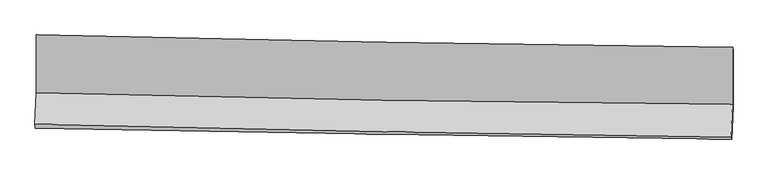
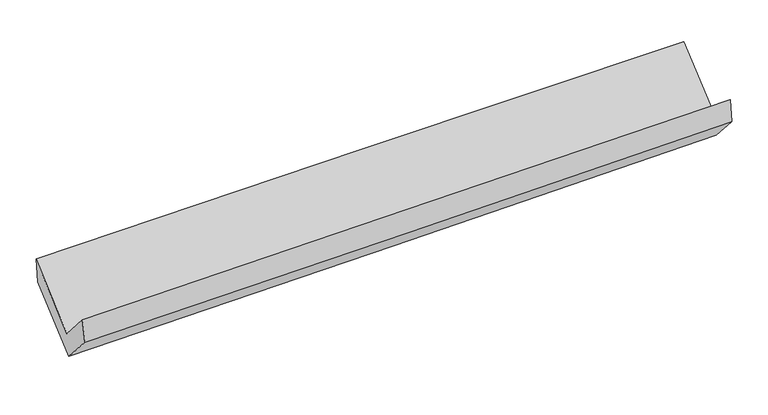
"""IFC4 building model written with IfcOpenShell, lengths in millimetres: proxy geometry."""

from ifc_helpers import new_model, si_unit, frame, origin, place, context, project, spatial, source, transform, mapped, element, save
from ifc_brep_helpers import plane_surface, spline_curve, spline_surface, advanced_brep


def generic_models_05dc1ccb(model_context):
    return source(origin(), model_context, "Body", "AdvancedBrep", [
        advanced_brep(
        [(-3015.8302325, -1159.1157522, 2185.7400703), (-3013.9455168, -1658.0489127, 1745.945092), (3004.1606409, -1759.0532546, 1882.242896), (3004.5134538, -1264.9280863, 2305.1378583), (-3026.2428767, -1931.1055513, 2055.6663061), (2991.2698728, -2045.2862206, 2206.9096838), (-3021.8901145, -1964.9613763, 1851.357719), (2995.7451312, -2058.7364815, 1994.0213076), (-3009.3275244, -1683.5003035, 1536.7810963), (3008.0192455, -1783.9376303, 1686.8907771), (-3011.0639389, -1181.8987266, 1972.3878744), (3008.2317936, -1289.9753301, 2115.9392284)],
        [
            (0, 1),
            (1, 2, spline_curve(3, [(-3013.9455168, -1658.0489127, 1745.945092), (-2011.442828974, -1686.356215808, 1781.299814976), (-1008.695329553, -1708.926828144, 1810.335199576), (997.340031621, -1742.595522235, 1855.768440163), (2000.627918088, -1753.693024206, 1872.165657197), (3004.1606409, -1759.0532546, 1882.242896)], [4, 2, 4], [0.0, 9.877781638759169, 19.756062965806258])),
            (2, 3),
            (3, 0, spline_curve(3, [(3004.5134538, -1264.9280863, 2305.1378583), (2000.688051013, -1255.31402562, 2296.543987661), (997.0673582, -1241.6889766, 2282.296842024), (-1009.713849667, -1206.417792511, 2242.49700723), (-2012.874385637, -1184.772063845, 2216.944890265), (-3015.8302325, -1159.1157522, 2185.7400703)], [4, 2, 4], [0.0, 9.87828132704709, 19.756062965806258])),
            (1, 4),
            (4, 5, spline_curve(3, [(-3026.2428767, -1931.1055513, 2055.6663061), (-2023.542167364, -1955.01588296, 2086.033656104), (-1020.745102457, -1976.485925769, 2113.82069256), (985.092470722, -2014.546395691, 2164.235412775), (1988.132989332, -2031.136576147, 2186.86283572), (2991.2698728, -2045.2862206, 2206.9096838)], [4, 2, 4], [0.0, 9.876057402589684, 19.752614406243186])),
            (5, 2),
            (4, 6),
            (6, 7, spline_curve(3, [(-3021.8901145, -1964.9613763, 1851.357719), (-2018.966824892, -1983.561908188, 1873.162729543), (-1016.04825989, -2000.676606132, 1895.953541372), (989.830155989, -2031.935125087, 1943.507971217), (1992.790006065, -2046.078795535, 1968.271688813), (2995.7451312, -2058.7364815, 1994.0213076)], [4, 2, 4], [0.0, 9.875540715098941, 19.75158100512398])),
            (7, 5),
            (6, 8),
            (8, 9, spline_curve(3, [(-3009.3275244, -1683.5003035, 1536.7810963), (-2006.650685765, -1707.652585375, 1564.791059037), (-1003.879387901, -1728.098385886, 1591.304902128), (1001.902859368, -1761.577869508, 1641.341613646), (2004.913817763, -1774.611178172, 1664.864331115), (3008.0192455, -1783.9376303, 1686.8907771)], [4, 2, 4], [0.0, 9.875207114502633, 19.750913787055477])),
            (9, 7),
            (8, 10),
            (10, 11, spline_curve(3, [(-3011.0639389, -1181.8987266, 1972.3878744), (-2008.091702705, -1199.773117854, 2005.862276346), (-1005.010296991, -1217.716467308, 2034.561908562), (1001.421603089, -1253.741994882, 2082.412843127), (2004.772107804, -1271.824179559, 2101.563662194), (3008.2317936, -1289.9753301, 2115.9392284)], [4, 2, 4], [0.0, 9.876819072385931, 19.754137784366343])),
            (11, 9),
            (10, 0),
            (3, 11),
        ],
        [
            spline_surface(3, 3, [[(-3015.8302325, -1159.1157522, 2185.7400703), (-2012.874385761, -1184.772063866, 2216.944890315), (-1009.713849767, -1206.417792643, 2242.497007337), (997.0673583, -1241.688976468, 2282.296841916), (2000.688051052, -1255.314025696, 2296.54398758), (3004.5134538, -1264.9280863, 2305.1378583)], [(-3015.201993934, -1325.426805703, 2039.141744186), (-2012.397200199, -1351.966781173, 2071.72986522), (-1009.374343046, -1373.920804443, 2098.443071388), (997.158249383, -1408.657825122, 2140.120708005), (2000.668006689, -1421.440358496, 2155.084544079), (3004.395849509, -1429.636475721, 2164.172870854)], [(-3014.573755366, -1491.737859197, 1892.543418114), (-2011.920014636, -1519.161498472, 1926.514840166), (-1009.034836263, -1541.423816196, 1954.389135472), (997.249140527, -1575.626673728, 1997.944574128), (2000.6479623, -1587.566691333, 2013.625100618), (3004.278245191, -1594.344865179, 2023.207883446)], [(-3013.9455168, -1658.0489127, 1745.945092), (-2011.442829075, -1686.356215779, 1781.299815071), (-1008.695329541, -1708.926827997, 1810.335199522), (997.340031609, -1742.595522382, 1855.768440216), (2000.627917936, -1753.693024133, 1872.165657117), (3004.1606409, -1759.0532546, 1882.242896)]], [4, 4], [4, 2, 4], [0.0, 2.1664679888583187], [0.0, 9.877781638759169, 19.756062965806258]),
            spline_surface(3, 3, [[(-3013.9455168, -1658.0489127, 1745.945092), (-2011.442829075, -1686.356215779, 1781.299815071), (-1008.695329541, -1708.926827997, 1810.335199522), (997.340031609, -1742.595522382, 1855.768440216), (2000.627917936, -1753.693024133, 1872.165657117), (3004.1606409, -1759.0532546, 1882.242896)], [(-3018.044636773, -1749.06779224, 1849.185496723), (-2015.475941815, -1775.909438192, 1882.877762117), (-1012.711920556, -1798.113193888, 1911.497030529), (993.25751136, -1833.245813472, 1958.590764415), (1996.462941721, -1846.174208114, 1977.06471665), (2999.863718204, -1854.464243253, 1990.465158604)], [(-3022.143756727, -1840.08667176, 1952.425901377), (-2019.509054535, -1865.462660583, 1984.455709093), (-1016.728511576, -1887.299559849, 2012.658861525), (989.174991106, -1923.89610463, 2061.413088605), (1992.297965494, -1938.655392137, 2081.96377617), (2995.566795496, -1949.875231947, 2098.687421196)], [(-3026.2428767, -1931.1055513, 2055.6663061), (-2023.542167275, -1955.015882996, 2086.03365614), (-1020.745102591, -1976.485925741, 2113.820692531), (985.092470857, -2014.546395719, 2164.235412804), (1988.132989279, -2031.136576118, 2186.862835703), (2991.2698728, -2045.2862206, 2206.9096838)]], [4, 4], [4, 2, 4], [0.0, 1.3388758882086027], [0.0, 9.876057402589684, 19.752614406243186]),
            spline_surface(3, 3, [[(-3026.2428767, -1931.1055513, 2055.6663061), (-2023.542167275, -1955.015882996, 2086.03365614), (-1020.745102591, -1976.485925741, 2113.820692531), (985.092470857, -2014.546395719, 2164.235412804), (1988.132989279, -2031.136576118, 2186.862835703), (2991.2698728, -2045.2862206, 2206.9096838)], [(-3024.791955962, -1942.39082628, 1987.563443724), (-2022.017053152, -1964.531224725, 2015.076680548), (-1019.179488339, -1984.54948591, 2041.19830882), (986.671699198, -2020.342638805, 2090.659598931), (1989.685328172, -2036.117315868, 2113.999120057), (2992.76162558, -2049.769640896, 2135.946891747)], [(-3023.341035238, -1953.67610132, 1919.460581376), (-2020.491939043, -1974.046566515, 1944.119704984), (-1017.613874061, -1992.613046077, 1968.575925112), (988.250927566, -2026.138881887, 2017.083785062), (1991.237667126, -2041.098055632, 2041.135404371), (2994.25337842, -2054.253061204, 2064.984099653)], [(-3021.8901145, -1964.9613763, 1851.357719), (-2018.96682492, -1983.561908244, 1873.162729393), (-1016.048259809, -2000.676606246, 1895.953541401), (989.830155908, -2031.935124972, 1943.507971189), (1992.790006019, -2046.078795382, 1968.271688725), (2995.7451312, -2058.7364815, 1994.0213076)]], [4, 4], [4, 2, 4], [0.0, 0.7228710597320148], [0.0, 9.875540715098941, 19.75158100512398]),
            spline_surface(3, 3, [[(-3021.8901145, -1964.9613763, 1851.357719), (-2018.96682492, -1983.561908244, 1873.162729393), (-1016.048259809, -2000.676606246, 1895.953541401), (989.830155908, -2031.935124972, 1943.507971189), (1992.790006019, -2046.078795382, 1968.271688725), (2995.7451312, -2058.7364815, 1994.0213076)], [(-3017.702584461, -1871.141018706, 1746.498844754), (-2014.861445222, -1891.592133986, 1770.372172627), (-1011.991969132, -1909.817199409, 1794.403994964), (993.854390374, -1941.816039872, 1842.785852036), (1996.83127664, -1955.589589705, 1867.135902823), (2999.83650264, -1967.136864439, 1891.644464093)], [(-3013.515054439, -1777.320661094, 1641.639970546), (-2010.75606554, -1799.622359709, 1667.581615899), (-1007.935678485, -1818.957792566, 1692.854448504), (997.878624809, -1851.696954766, 1742.063732859), (2000.872547241, -1865.100384011, 1766.000116941), (3003.92787406, -1875.537247361, 1789.267620607)], [(-3009.3275244, -1683.5003035, 1536.7810963), (-2006.650685842, -1707.652585451, 1564.791059133), (-1003.879387808, -1728.098385728, 1591.304902067), (1001.902859274, -1761.577869665, 1641.341613707), (2004.913817861, -1774.611178333, 1664.864331039), (3008.0192455, -1783.9376303, 1686.8907771)]], [4, 4], [4, 2, 4], [0.0, 1.3363038008384673], [0.0, 9.875207114502633, 19.750913787055477]),
            spline_surface(3, 3, [[(-3009.3275244, -1683.5003035, 1536.7810963), (-2006.650685842, -1707.652585451, 1564.791059133), (-1003.879387808, -1728.098385728, 1591.304902067), (1001.902859274, -1761.577869665, 1641.341613707), (2004.913817861, -1774.611178333, 1664.864331039), (3008.0192455, -1783.9376303, 1686.8907771)], [(-3009.906329242, -1516.299777866, 1681.983355681), (-2007.131024816, -1538.359429536, 1711.814798266), (-1004.256357491, -1557.971079607, 1739.057237581), (1001.742440493, -1592.299244742, 1788.365356811), (2004.866581188, -1607.015512146, 1810.430774778), (3008.090094852, -1619.28353025, 1829.90692753)], [(-3010.485134058, -1349.099252234, 1827.185615019), (-2007.611363762, -1369.066273623, 1858.838537355), (-1004.633327162, -1387.84377345, 1886.809573126), (1001.582021724, -1423.020619785, 1935.389099946), (2004.819344558, -1439.419845908, 1955.997218529), (3008.160944248, -1454.62943015, 1972.92307797)], [(-3011.0639389, -1181.8987266, 1972.3878744), (-2008.091702736, -1199.773117708, 2005.862276488), (-1005.010296845, -1217.716467328, 2034.561908639), (1001.421602943, -1253.741994862, 2082.41284305), (2004.772107885, -1271.82417972, 2101.563662269), (3008.2317936, -1289.9753301, 2115.9392284)]], [4, 4], [4, 2, 4], [0.0, 2.2123214800086224], [0.0, 9.876819072385931, 19.754137784366343]),
            spline_surface(3, 3, [[(-3011.0639389, -1181.8987266, 1972.3878744), (-2008.091702736, -1199.773117708, 2005.862276488), (-1005.010296845, -1217.716467328, 2034.561908639), (1001.421602943, -1253.741994862, 2082.41284305), (2004.772107885, -1271.82417972, 2101.563662269), (3008.2317936, -1289.9753301, 2115.9392284)], [(-3012.652703427, -1174.304401805, 2043.505273031), (-2009.685930404, -1194.772766432, 2076.223147762), (-1006.578147798, -1213.950242426, 2103.873608217), (999.970188084, -1249.724322057, 2149.040842684), (2003.410755623, -1266.320795053, 2166.557104045), (3006.992347016, -1281.626248841, 2179.005438372)], [(-3014.241467973, -1166.710076995, 2114.622671669), (-2011.280158092, -1189.772415142, 2146.584019041), (-1008.145998815, -1210.184017545, 2173.18530776), (998.51877316, -1245.706649273, 2215.668842282), (2002.049403313, -1260.817410363, 2231.550545804), (3005.752900384, -1273.277167559, 2242.071648328)], [(-3015.8302325, -1159.1157522, 2185.7400703), (-2012.874385761, -1184.772063866, 2216.944890315), (-1009.713849767, -1206.417792643, 2242.497007337), (997.0673583, -1241.688976468, 2282.296841916), (2000.688051052, -1255.314025696, 2296.54398758), (3004.5134538, -1264.9280863, 2305.1378583)]], [4, 4], [4, 2, 4], [0.0, 0.6702544545268003], [0.0, 9.878846979114954, 19.758193700410303]),
            plane_surface(frame((3001.990023, -1700.3195006, 2031.8569585), z_axis=(0.9995567806704682, -0.01976576875580244, 0.022261100628270736), x_axis=(0.0003248583030012236, 0.7549716417599804, 0.6557573595510178))),
            plane_surface(frame((-3016.3833673, -1596.4384371, 1891.3130264), z_axis=(-0.999552769361719, 0.017560404962283685, -0.024205235774082505), x_axis=(0.022208252488616423, -0.10615587123564293, -0.9941014659095939))),
        ],
        [
            (0, [[1, 2, 3, 4]]),
            (1, [[5, 6, 7, -2]]),
            (2, [[8, 9, 10, -6]]),
            (3, [[11, 12, 13, -9]]),
            (4, [[14, 15, 16, -12]]),
            (5, [[17, -4, 18, -15]]),
            (6, [[-16, -18, -3, -7, -10, -13]]),
            (7, [[-17, -14, -11, -8, -5, -1]]),
        ],
    ),
    ])


if __name__ == "__main__":
    model = new_model("IFC4")
    model_context = context("Model", 3, world=origin())
    ifc_project = project(units=[si_unit("LENGTHUNIT", "METRE", prefix="MILLI")], contexts=[model_context])
    site = spatial("IfcSite", under=ifc_project)
    building = spatial("IfcBuilding", under=site)
    placement = place(None, origin())
    generic_models_shape = generic_models_05dc1ccb(model_context)
    element("IfcBuildingElementProxy", 1, Name="Generic Models", at=placement, inside=building, context=model_context, shape_type="MappedRepresentation", body=[
        mapped(generic_models_shape, transform((0.0, 0.0, 0.0), x_axis=(1.0, 0.0, 0.0), y_axis=(0.0, 1.0, 0.0), z_axis=(0.0, 0.0, 1.0))),
    ])
    save(model, "model.ifc")
